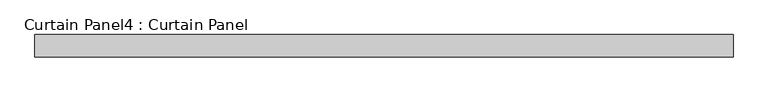
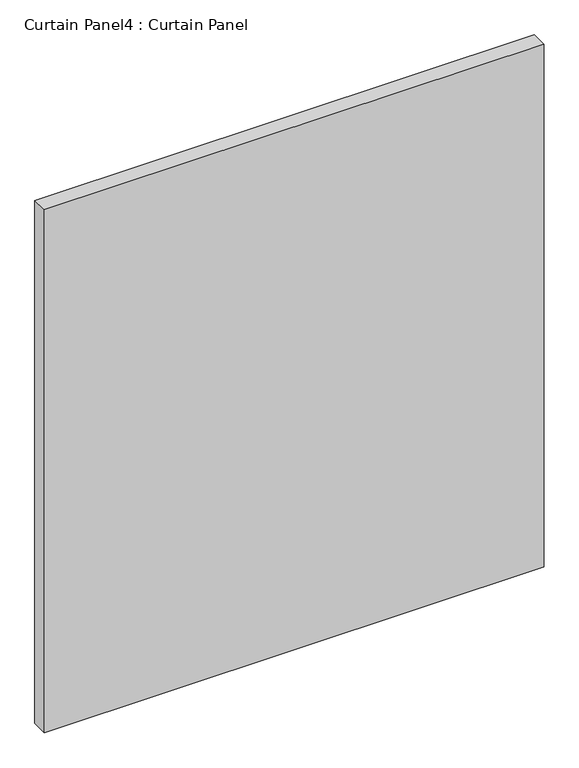
"""IFC4 building model written with IfcOpenShell, lengths in millimetres: plate geometry, Curtain Panel4 : Curtain Panel."""

from ifc_helpers import new_model, si_unit, frame, origin, place, context, project, spatial, polyline, outline, extrude, source, transform, mapped, element, save


def curtain_panel4_curtain_panel_3ac6846e(model_context):
    return source(origin(), model_context, "Body", "SweptSolid", [
        extrude(outline(polyline([(-93289.424844, 92000.0166495), (-94325.2893047, 92000.0166495), (-94325.2893047, 92033.3541495), (-93289.424844, 92033.3541495), (-93289.424844, 92000.0166495)])), frame((0.0, 0.0, 2457.45), z_axis=(0.0, 0.0, 1.0), x_axis=(1.0, 0.0, 0.0)), (0.0, 0.0, 1.0), 1146.1205281),
    ])


if __name__ == "__main__":
    model = new_model("IFC4")
    model_context = context("Model", 3, world=origin())
    ifc_project = project(units=[si_unit("LENGTHUNIT", "METRE", prefix="MILLI")], contexts=[model_context])
    site = spatial("IfcSite", under=ifc_project)
    building = spatial("IfcBuilding", under=site)
    placement = place(None, origin())
    curtain_panel4_curtain_panel_shape = curtain_panel4_curtain_panel_3ac6846e(model_context)
    element("IfcPlate", 1, ObjectType="Curtain Panel4 : Curtain Panel", at=placement, inside=building, context=model_context, shape_type="MappedRepresentation", body=[
        mapped(curtain_panel4_curtain_panel_shape, transform((0.0, 0.0, 0.0), x_axis=(1.0, 0.0, 0.0), y_axis=(0.0, 1.0, 0.0), z_axis=(0.0, 0.0, 1.0))),
    ])
    save(model, "model.ifc")
